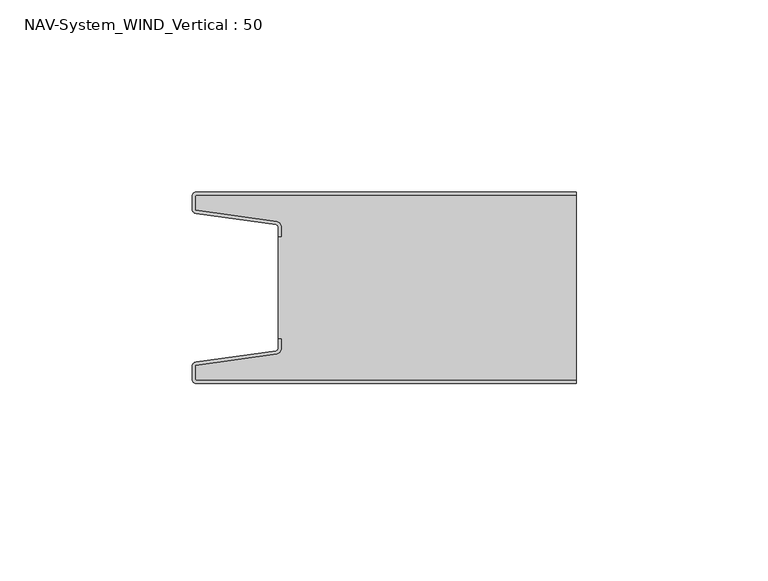
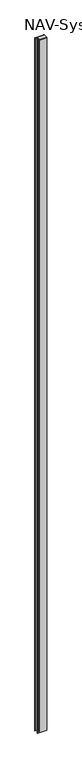
"""IFC4 building model written with IfcOpenShell, lengths in millimetres: plate geometry, NAV-System_WIND_Vertical : 50."""

from ifc_helpers import new_model, si_unit, point, frame_2d, origin, origin_with_axes, place, context, project, spatial, polyline, circle_curve, trimmed, segment, composite_curve, outline, extrude, source, transform, mapped, element, save


def nav_system_wind_vertical_50_df9d7c7a(model_context):
    return source(origin(), model_context, "Body", "SweptSolid", [
        extrude(outline(composite_curve([segment(trimmed(circle_curve(frame_2d((-48.7, -48.7)), 1.3), [point((-48.7, -50.0))], [point((-50.0, -48.7))], False, "CARTESIAN"), True, "CONTINUOUS"), segment(polyline([(-50.0, -48.7), (-50.0, -45.6299809)]), True, "CONTINUOUS"), segment(trimmed(circle_curve(frame_2d((-48.7, -45.6299809)), 1.3), [point((-50.0, -45.6299809))], [point((-48.8810287, -44.342647))], False, "CARTESIAN"), True, "CONTINUOUS"), segment(polyline([(-48.8810287, -44.342647), (-28.102523, -41.4207123)]), True, "CONTINUOUS"), segment(trimmed(circle_curve(frame_2d((-28.2, -40.7275325)), 0.7), [point((-28.102523, -41.4207123))], [point((-27.5, -40.7275325))], True, "CARTESIAN"), True, "CONTINUOUS"), segment(polyline([(-27.5, -40.7275325), (-27.5, -38.3275325), (-26.7, -38.3275325), (-26.7, -40.7275325)]), True, "CONTINUOUS"), segment(trimmed(circle_curve(frame_2d((-28.2, -40.7275325)), 1.5), [point((-26.7, -40.7275325))], [point((-27.9911207, -42.2129178))], False, "CARTESIAN"), True, "CONTINUOUS"), segment(polyline([(-27.9911207, -42.2129178), (-49.2, -45.1953728), (-49.2, -48.7)]), True, "CONTINUOUS"), segment(trimmed(circle_curve(frame_2d((-48.7, -48.7)), 0.5), [point((-49.2, -48.7))], [point((-48.7, -49.2))], True, "CARTESIAN"), True, "CONTINUOUS"), segment(polyline([(-48.7, -49.2), (50.0, -49.2), (50.0, -50.0), (-48.7, -50.0)]), True, "CONTINUOUS")], self_intersect=False)), origin_with_axes(), (0.0, 0.0, 1.0), 8000.0),
        extrude(outline(composite_curve([segment(trimmed(circle_curve(frame_2d((-48.7, -1.3)), 0.5), [point((-48.7, -0.8))], [point((-49.2, -1.3))], True, "CARTESIAN"), True, "CONTINUOUS"), segment(polyline([(-49.2, -1.3), (-49.2, -4.8046272), (-27.9911207, -7.7870822)]), True, "CONTINUOUS"), segment(trimmed(circle_curve(frame_2d((-28.2, -9.2724675)), 1.5), [point((-27.9911207, -7.7870822))], [point((-26.7, -9.2724675))], False, "CARTESIAN"), True, "CONTINUOUS"), segment(polyline([(-26.7, -9.2724675), (-26.7, -11.6724675), (-27.5, -11.6724675), (-27.5, -9.2724675)]), True, "CONTINUOUS"), segment(trimmed(circle_curve(frame_2d((-28.2, -9.2724675)), 0.7), [point((-27.5, -9.2724675))], [point((-28.102523, -8.5792877))], True, "CARTESIAN"), True, "CONTINUOUS"), segment(polyline([(-28.102523, -8.5792877), (-48.8810287, -5.657353)]), True, "CONTINUOUS"), segment(trimmed(circle_curve(frame_2d((-48.7, -4.3700191)), 1.3), [point((-48.8810287, -5.657353))], [point((-50.0, -4.3700191))], False, "CARTESIAN"), True, "CONTINUOUS"), segment(polyline([(-50.0, -4.3700191), (-50.0, -1.3)]), True, "CONTINUOUS"), segment(trimmed(circle_curve(frame_2d((-48.7, -1.3)), 1.3), [point((-50.0, -1.3))], [point((-48.7, 0.0))], False, "CARTESIAN"), True, "CONTINUOUS"), segment(polyline([(-48.7, 0.0), (50.0, 0.0), (50.0, -0.8), (-48.7, -0.8)]), True, "CONTINUOUS")], self_intersect=False)), origin_with_axes(), (0.0, 0.0, 1.0), 8000.0),
        extrude(outline(composite_curve([segment(trimmed(circle_curve(frame_2d((-48.7, -48.7)), 0.5), [point((-48.7, -49.2))], [point((-49.2, -48.7))], False, "CARTESIAN"), True, "CONTINUOUS"), segment(polyline([(-49.2, -48.7), (-49.2, -45.1953728), (-27.9911207, -42.2129178)]), True, "CONTINUOUS"), segment(trimmed(circle_curve(frame_2d((-28.2, -40.7275325)), 1.5), [point((-27.9911207, -42.2129178))], [point((-26.7, -40.7275325))], True, "CARTESIAN"), True, "CONTINUOUS"), segment(polyline([(-26.7, -40.7275325), (-26.7, -38.2767555), (-27.5, -38.2767555), (-27.5, -11.6767555), (-26.7, -11.6767555), (-26.7, -9.2724675)]), True, "CONTINUOUS"), segment(trimmed(circle_curve(frame_2d((-28.2, -9.2724675)), 1.5), [point((-26.7, -9.2724675))], [point((-27.9911207, -7.7870822))], True, "CARTESIAN"), True, "CONTINUOUS"), segment(polyline([(-27.9911207, -7.7870822), (-49.2, -4.8046272), (-49.2, -1.3)]), True, "CONTINUOUS"), segment(trimmed(circle_curve(frame_2d((-48.7, -1.3)), 0.5), [point((-49.2, -1.3))], [point((-48.7, -0.8))], False, "CARTESIAN"), True, "CONTINUOUS"), segment(polyline([(-48.7, -0.8), (50.0, -0.8), (50.0, -49.2), (-48.7, -49.2)]), True, "CONTINUOUS")], self_intersect=False)), origin_with_axes(), (0.0, 0.0, 1.0), 8000.0),
    ])


if __name__ == "__main__":
    model = new_model("IFC4")
    model_context = context("Model", 3, world=origin())
    ifc_project = project(units=[si_unit("LENGTHUNIT", "METRE", prefix="MILLI")], contexts=[model_context])
    site = spatial("IfcSite", under=ifc_project)
    building = spatial("IfcBuilding", under=site)
    placement = place(None, origin())
    nav_system_wind_vertical_50_shape = nav_system_wind_vertical_50_df9d7c7a(model_context)
    element("IfcPlate", 1, ObjectType="NAV-System_WIND_Vertical : 50", at=placement, inside=building, context=model_context, shape_type="MappedRepresentation", body=[
        mapped(nav_system_wind_vertical_50_shape, transform((0.0, 0.0, 0.0), x_axis=(1.0, 0.0, 0.0), y_axis=(0.0, 1.0, 0.0), z_axis=(0.0, 0.0, 1.0))),
    ])
    save(model, "model.ifc")
